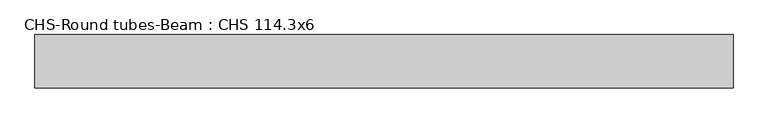
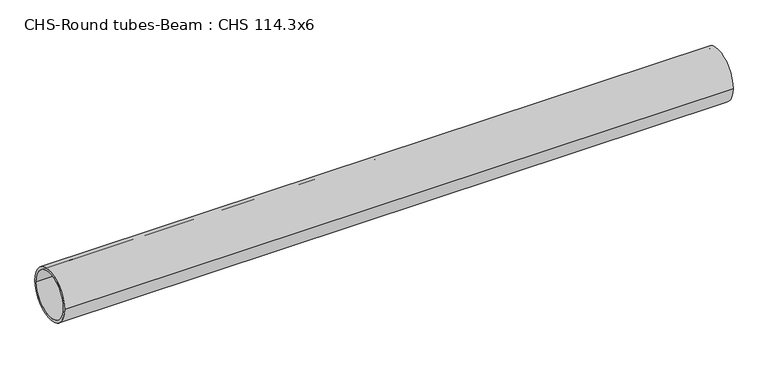
"""IFC4 building model written with IfcOpenShell, lengths in millimetres: beam geometry, CHS-Round tubes-Beam : CHS 114.3x6."""

from ifc_helpers import new_model, si_unit, point, frame, origin, origin_2d, place, context, project, spatial, circle_curve, trimmed, segment, composite_curve, outline, extrude, source, transform, mapped, element, save


def chs_round_tubes_beam_chs_114_3x6_f51187a8(model_context):
    return source(origin(), model_context, "Body", "SweptSolid", [
        extrude(outline(composite_curve([segment(trimmed(circle_curve(origin_2d(), 57.15), [point((57.15, 0.0))], [point((-57.15, 0.0))], False, "CARTESIAN"), True, "CONTINUOUS"), segment(trimmed(circle_curve(origin_2d(), 57.15), [point((-57.15, 0.0))], [point((57.15, 0.0))], False, "CARTESIAN"), True, "CONTINUOUS")], self_intersect=False), holes=[composite_curve([segment(trimmed(circle_curve(origin_2d(), 51.15), [point((51.15, 0.0))], [point((-51.15, 0.0))], True, "CARTESIAN"), True, "CONTINUOUS"), segment(trimmed(circle_curve(origin_2d(), 51.15), [point((-51.15, 0.0))], [point((51.15, 0.0))], True, "CARTESIAN"), True, "CONTINUOUS")], self_intersect=False)]), frame((-759.5099576, 0.0, 0.0), z_axis=(1.0, 0.0, 0.0), x_axis=(0.0, 1.0, 0.0)), (0.0, 0.0, 1.0), 1489.8700522),
    ])


if __name__ == "__main__":
    model = new_model("IFC4")
    model_context = context("Model", 3, world=origin())
    ifc_project = project(units=[si_unit("LENGTHUNIT", "METRE", prefix="MILLI")], contexts=[model_context])
    site = spatial("IfcSite", under=ifc_project)
    building = spatial("IfcBuilding", under=site)
    placement = place(None, origin())
    chs_round_tubes_beam_chs_114_3x6_shape = chs_round_tubes_beam_chs_114_3x6_f51187a8(model_context)
    element("IfcBeam", 1, ObjectType="CHS-Round tubes-Beam : CHS 114.3x6", at=placement, inside=building, context=model_context, shape_type="MappedRepresentation", body=[
        mapped(chs_round_tubes_beam_chs_114_3x6_shape, transform((0.0, 0.0, 0.0), x_axis=(1.0, 0.0, 0.0), y_axis=(0.0, 1.0, 0.0), z_axis=(0.0, 0.0, 1.0))),
    ])
    save(model, "model.ifc")
